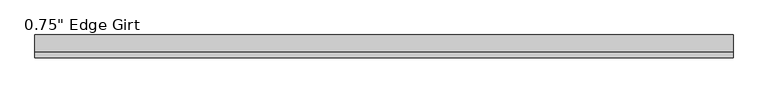
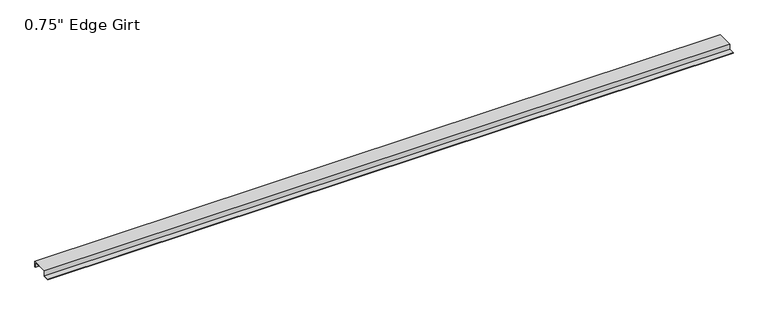
"""IFC4 building model written with IfcOpenShell, lengths in millimetres: proxy geometry."""

from ifc_helpers import new_model, si_unit, frame, origin, place, context, project, spatial, polyline, outline, extrude, source, transform, mapped, element, save


def proxy_ffd810cc(model_context):
    return source(origin(), model_context, "Body", "SweptSolid", [
        extrude(outline(polyline([(-46.0559645, -17.4375), (-46.0559645, -15.8242), (-27.0129, -15.8242), (-27.0129, 1.6129), (27.0129, 1.6129), (27.0129, -17.4375), (25.4, -17.4375), (25.4, 0.0), (-25.4, 0.0), (-25.4, -17.4375), (-46.0559645, -17.4375)])), frame((0.0, 0.0, 0.0), z_axis=(1.0, 0.0, 0.0), x_axis=(0.0, 1.0, 0.0)), (0.0, 0.0, 1.0), 2246.3161067),
    ])


if __name__ == "__main__":
    model = new_model("IFC4")
    model_context = context("Model", 3, world=origin())
    ifc_project = project(units=[si_unit("LENGTHUNIT", "METRE", prefix="MILLI")], contexts=[model_context])
    site = spatial("IfcSite", under=ifc_project)
    building = spatial("IfcBuilding", under=site)
    placement = place(None, origin())
    proxy_shape = proxy_ffd810cc(model_context)
    element("IfcBuildingElementProxy", 1, Name="0.75\" Edge Girt", ObjectType="0.75\" Edge Girt", at=placement, inside=building, context=model_context, shape_type="MappedRepresentation", body=[
        mapped(proxy_shape, transform((0.0, 0.0, 0.0), x_axis=(1.0, 0.0, 0.0), y_axis=(0.0, 1.0, 0.0), z_axis=(0.0, 0.0, 1.0))),
    ])
    save(model, "model.ifc")
